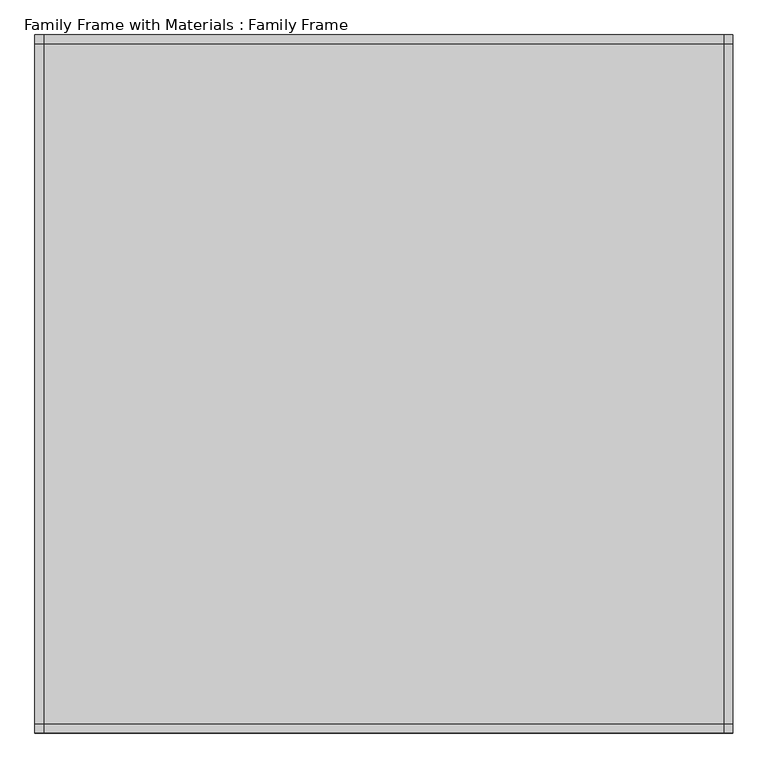
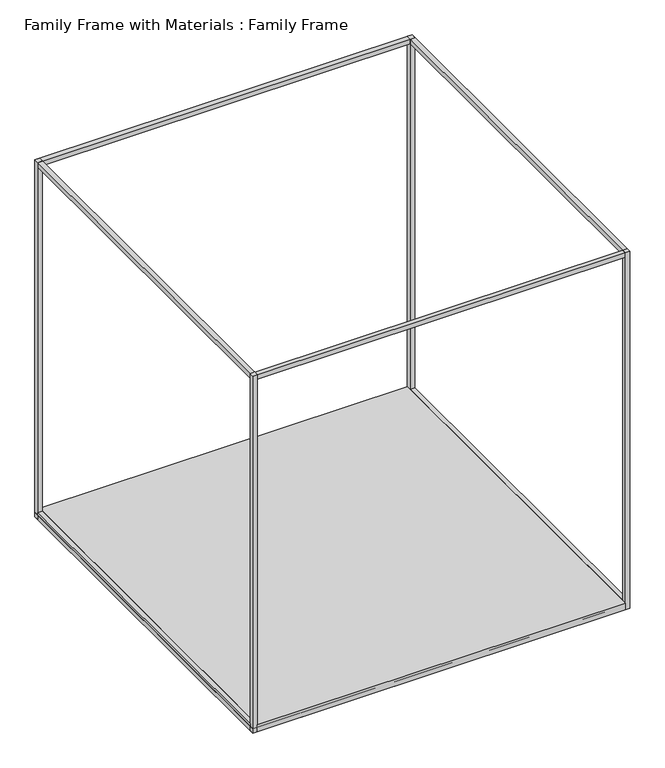
"""IFC4 building model written with IfcOpenShell, lengths in millimetres: furniture geometry, Family Frame with Materials : Family Frame."""

from ifc_helpers import new_model, si_unit, frame, origin, origin_with_axes, place, context, project, spatial, polyline, outline, extrude, source, transform, mapped, element, save


def family_frame_with_materials_family_frame_8f60a100(model_context):
    return source(origin(), model_context, "Body", "SweptSolid", [
        extrude(outline(polyline([(3950.0, -4000.0), (50.0, -4000.0), (50.0, 0.0), (3950.0, 0.0), (3950.0, -4000.0)])), origin_with_axes(), (0.0, 0.0, 1.0), 75.0),
        extrude(outline(polyline([(4000.0, -3950.0), (3950.0, -3950.0), (3950.0, -50.0), (4000.0, -50.0), (4000.0, -3950.0)])), frame((0.0, 0.0, 50.0), z_axis=(0.0, 0.0, 1.0), x_axis=(1.0, 0.0, 0.0)), (0.0, 0.0, 1.0), 25.0),
        extrude(outline(polyline([(50.0, -3950.0), (0.0, -3950.0), (0.0, -50.0), (50.0, -50.0), (50.0, -3950.0)])), frame((0.0, 0.0, 50.0), z_axis=(0.0, 0.0, 1.0), x_axis=(1.0, 0.0, 0.0)), (0.0, 0.0, 1.0), 25.0),
        extrude(outline(polyline([(50.0, 0.0), (50.0, -50.0), (0.0, -50.0), (0.0, 0.0), (50.0, 0.0)])), origin_with_axes(), (0.0, 0.0, 1.0), 4000.0),
        extrude(outline(polyline([(4000.0, 0.0), (4000.0, -50.0018831), (3950.0, -50.0018831), (3950.0, 0.0), (4000.0, 0.0)])), origin_with_axes(), (0.0, 0.0, 1.0), 4000.0),
        extrude(outline(polyline([(50.0, -4000.0), (0.0, -4000.0), (0.0, -3950.0), (50.0, -3950.0), (50.0, -4000.0)])), origin_with_axes(), (0.0, 0.0, 1.0), 4000.0),
        extrude(outline(polyline([(4000.0, -4000.0), (3950.0, -4000.0), (3950.0, -3950.0), (4000.0, -3950.0), (4000.0, -4000.0)])), origin_with_axes(), (0.0, 0.0, 1.0), 4000.0),
        extrude(outline(polyline([(4000.0, -3950.0), (4000.0, -4000.0), (0.0, -4000.0), (0.0, -3950.0), (4000.0, -3950.0)])), frame((0.0, 0.0, 3950.0), z_axis=(0.0, 0.0, 1.0), x_axis=(1.0, 0.0, 0.0)), (0.0, 0.0, 1.0), 50.0),
        extrude(outline(polyline([(4000.0, -3950.0), (4000.0, -4000.0), (0.0, -4000.0), (0.0, -3950.0), (4000.0, -3950.0)])), origin_with_axes(), (0.0, 0.0, 1.0), 50.0),
        extrude(outline(polyline([(4000.0, 0.0), (4000.0, -50.0018831), (0.0, -50.0018831), (0.0, 0.0), (4000.0, 0.0)])), origin_with_axes(), (0.0, 0.0, 1.0), 50.0),
        extrude(outline(polyline([(4000.0, 0.0), (4000.0, -50.0), (0.0, -50.0), (0.0, 0.0), (4000.0, 0.0)])), frame((0.0, 0.0, 3950.0), z_axis=(0.0, 0.0, 1.0), x_axis=(1.0, 0.0, 0.0)), (0.0, 0.0, 1.0), 50.0),
        extrude(outline(polyline([(4000.0, -4000.0), (3950.0, -4000.0), (3950.0, 0.0), (4000.0, 0.0), (4000.0, -4000.0)])), origin_with_axes(), (0.0, 0.0, 1.0), 50.0),
        extrude(outline(polyline([(4000.0, -4000.0), (3950.0, -4000.0), (3950.0, 0.0), (4000.0, 0.0), (4000.0, -4000.0)])), frame((0.0, 0.0, 3950.0), z_axis=(0.0, 0.0, 1.0), x_axis=(1.0, 0.0, 0.0)), (0.0, 0.0, 1.0), 50.0),
        extrude(outline(polyline([(50.0, -4000.0), (0.0, -4000.0), (0.0, 0.0), (50.0, 0.0), (50.0, -4000.0)])), frame((0.0, 0.0, 3950.0), z_axis=(0.0, 0.0, 1.0), x_axis=(1.0, 0.0, 0.0)), (0.0, 0.0, 1.0), 50.0),
        extrude(outline(polyline([(50.0, -4000.0), (0.0, -4000.0), (0.0, 0.0), (50.0, 0.0), (50.0, -4000.0)])), origin_with_axes(), (0.0, 0.0, 1.0), 50.0),
    ])


if __name__ == "__main__":
    model = new_model("IFC4")
    model_context = context("Model", 3, world=origin())
    ifc_project = project(units=[si_unit("LENGTHUNIT", "METRE", prefix="MILLI")], contexts=[model_context])
    site = spatial("IfcSite", under=ifc_project)
    building = spatial("IfcBuilding", under=site)
    placement = place(None, origin())
    family_frame_with_materials_family_frame_shape = family_frame_with_materials_family_frame_8f60a100(model_context)
    element("IfcFurniture", 1, ObjectType="Family Frame with Materials : Family Frame", at=placement, inside=building, context=model_context, shape_type="MappedRepresentation", body=[
        mapped(family_frame_with_materials_family_frame_shape, transform((0.0, 0.0, 0.0), x_axis=(1.0, 0.0, 0.0), y_axis=(0.0, 1.0, 0.0), z_axis=(0.0, 0.0, 1.0))),
    ])
    save(model, "model.ifc")
